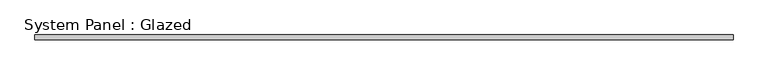
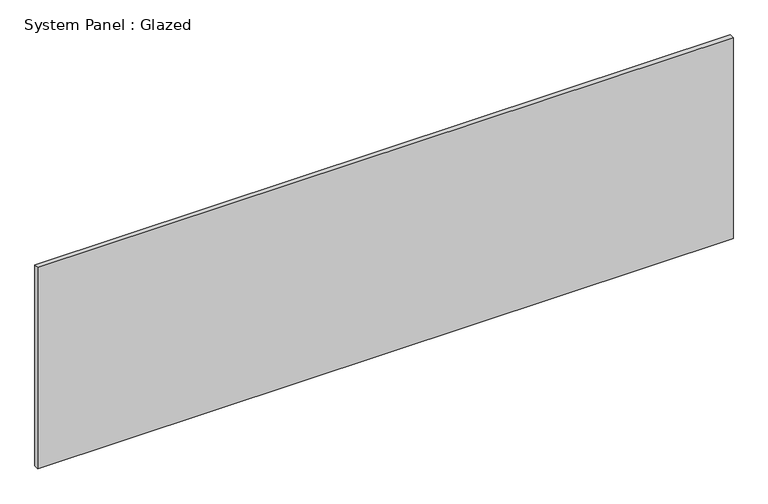
"""IFC4 building model written with IfcOpenShell, lengths in millimetres: plate geometry, System Panel : Glazed."""

from ifc_helpers import new_model, si_unit, origin, origin_with_axes, place, context, project, spatial, polyline, outline, extrude, source, transform, mapped, element, save


def system_panel_glazed_d029dccf(model_context):
    return source(origin(), model_context, "Body", "SweptSolid", [
        extrude(outline(polyline([(1837.5752733, -44.45), (-1837.5752733, -44.45), (-1837.5752733, -19.05), (1837.5752733, -19.05), (1837.5752733, -44.45)])), origin_with_axes(), (0.0, 0.0, 1.0), 1123.95),
    ])


if __name__ == "__main__":
    model = new_model("IFC4")
    model_context = context("Model", 3, world=origin())
    ifc_project = project(units=[si_unit("LENGTHUNIT", "METRE", prefix="MILLI")], contexts=[model_context])
    site = spatial("IfcSite", under=ifc_project)
    building = spatial("IfcBuilding", under=site)
    placement = place(None, origin())
    system_panel_glazed_shape = system_panel_glazed_d029dccf(model_context)
    element("IfcPlate", 1, ObjectType="System Panel : Glazed", at=placement, inside=building, context=model_context, shape_type="MappedRepresentation", body=[
        mapped(system_panel_glazed_shape, transform((0.0, 0.0, 0.0), x_axis=(1.0, 0.0, 0.0), y_axis=(0.0, 1.0, 0.0), z_axis=(0.0, 0.0, 1.0))),
    ])
    save(model, "model.ifc")
